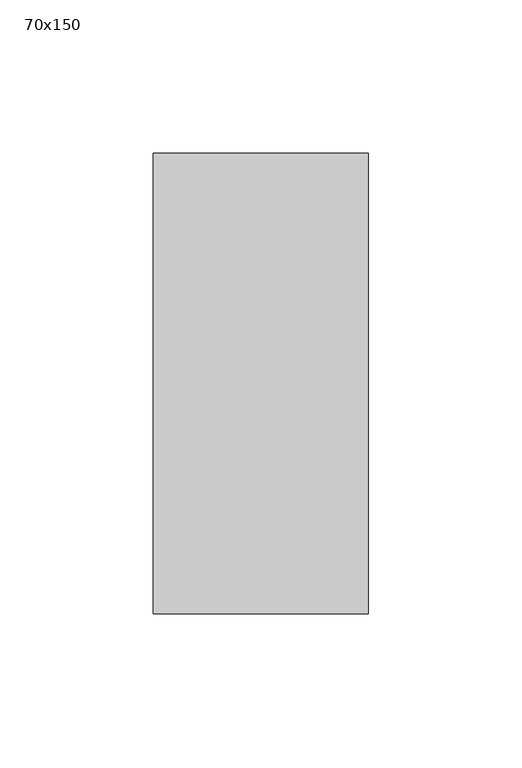
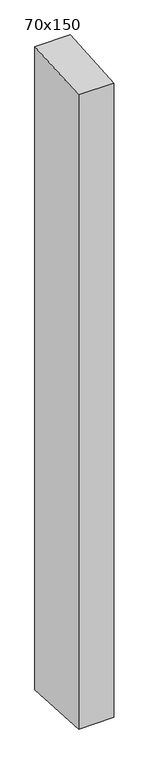
"""IFC4 building model written with IfcOpenShell, lengths in millimetres: member geometry, 70x150."""

from ifc_helpers import new_model, si_unit, frame, origin, place, context, project, spatial, polyline, outline, extrude, source, transform, mapped, element, save


def member_70x150_b58b1f55(model_context):
    return source(origin(), model_context, "Body", "SweptSolid", [
        extrude(outline(polyline([(-75.0, -5.0270374), (75.0, 5.0270374), (75.0, -1341.2274395), (-75.0, -1332.6851589), (-75.0, -5.0270374)])), frame((-35.0, 0.0, 0.0), z_axis=(1.0, 0.0, 0.0), x_axis=(0.0, 1.0, 0.0)), (0.0, 0.0, 1.0), 70.0),
    ])


if __name__ == "__main__":
    model = new_model("IFC4")
    model_context = context("Model", 3, world=origin())
    ifc_project = project(units=[si_unit("LENGTHUNIT", "METRE", prefix="MILLI")], contexts=[model_context])
    site = spatial("IfcSite", under=ifc_project)
    building = spatial("IfcBuilding", under=site)
    placement = place(None, origin())
    member_70x150_shape = member_70x150_b58b1f55(model_context)
    element("IfcMember", 1, ObjectType="70x150", at=placement, inside=building, context=model_context, shape_type="MappedRepresentation", body=[
        mapped(member_70x150_shape, transform((0.0, 0.0, 0.0), x_axis=(1.0, 0.0, 0.0), y_axis=(0.0, 1.0, 0.0), z_axis=(0.0, 0.0, 1.0))),
    ])
    save(model, "model.ifc")
